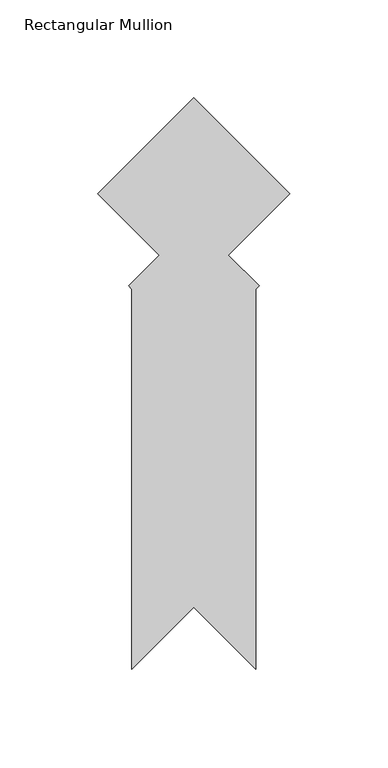
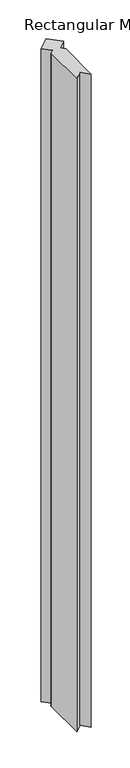
"""IFC4 building model written with IfcOpenShell, lengths in millimetres: member geometry, Rectangular Mullion."""

from ifc_helpers import new_model, si_unit, frame, origin, place, context, project, spatial, polyline, outline, extrude, source, transform, mapped, element, save


def rectangular_mullion_31c4b7d8(model_context):
    return source(origin(), model_context, "Body", "SweptSolid", [
        extrude(outline(polyline([(-80.8318943, 96.7064634), (-82.4483404, 98.3229095), (-66.7328922, 114.0383578), (-98.1637886, 145.4692542), (-49.0818943, 194.5511485), (0.0, 145.4692542), (-31.4308964, 114.0383578), (-15.7154482, 98.3229095), (-17.3318943, 96.7064634), (-17.3318943, -97.6262788), (-49.0818942, -65.8762789), (-80.8318943, -97.626279), (-80.8318943, 96.7064634)])), frame((0.0, 0.0, -3048.0), z_axis=(0.0, 0.0, 1.0), x_axis=(1.0, 0.0, 0.0)), (0.0, 0.0, 1.0), 3048.0),
    ])


if __name__ == "__main__":
    model = new_model("IFC4")
    model_context = context("Model", 3, world=origin())
    ifc_project = project(units=[si_unit("LENGTHUNIT", "METRE", prefix="MILLI")], contexts=[model_context])
    site = spatial("IfcSite", under=ifc_project)
    building = spatial("IfcBuilding", under=site)
    placement = place(None, origin())
    rectangular_mullion_shape = rectangular_mullion_31c4b7d8(model_context)
    element("IfcMember", 1, ObjectType="Rectangular Mullion", at=placement, inside=building, context=model_context, shape_type="MappedRepresentation", body=[
        mapped(rectangular_mullion_shape, transform((0.0, 0.0, 0.0), x_axis=(1.0, 0.0, 0.0), y_axis=(0.0, 1.0, 0.0), z_axis=(0.0, 0.0, 1.0))),
    ])
    save(model, "model.ifc")
